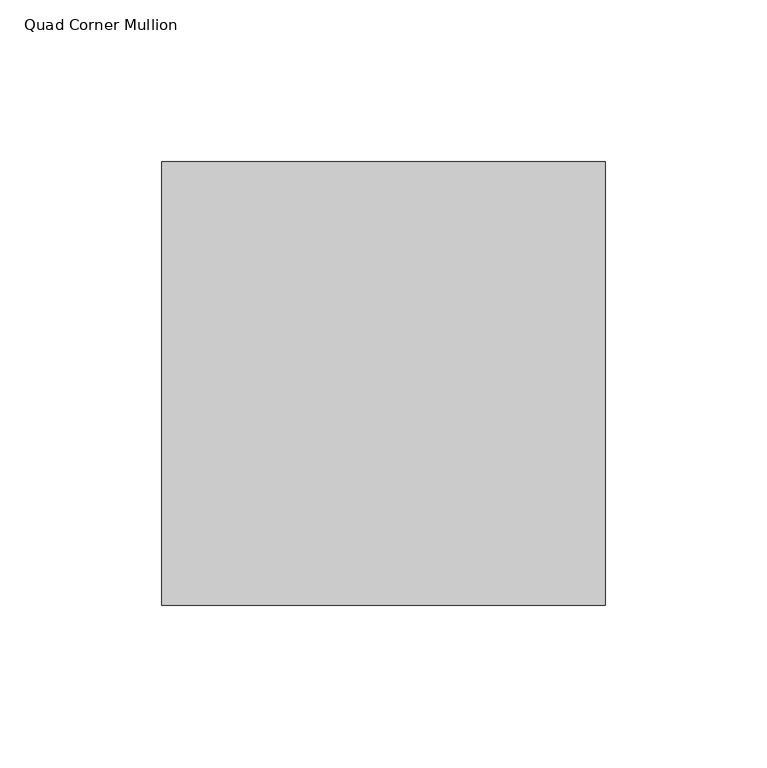
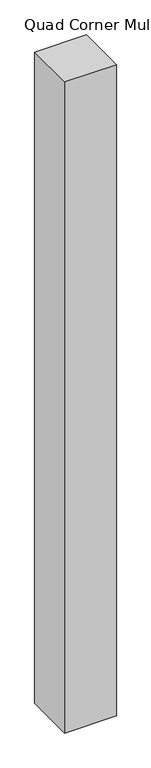
"""IFC4 building model written with IfcOpenShell, lengths in millimetres: member geometry, Quad Corner Mullion."""

from ifc_helpers import new_model, si_unit, frame, origin, place, context, project, spatial, polyline, outline, extrude, source, transform, mapped, element, save


def quad_corner_mullion_fe3ebf36(model_context):
    return source(origin(), model_context, "Body", "SweptSolid", [
        extrude(outline(polyline([(84.1871094, -53.2308594), (-53.2308594, -53.2308594), (-53.2308594, 84.1871094), (84.1871094, 84.1871094), (84.1871094, -53.2308594)])), frame((0.0, 0.0, -1828.8), z_axis=(0.0, 0.0, 1.0), x_axis=(1.0, 0.0, 0.0)), (0.0, 0.0, 1.0), 1828.8),
    ])


if __name__ == "__main__":
    model = new_model("IFC4")
    model_context = context("Model", 3, world=origin())
    ifc_project = project(units=[si_unit("LENGTHUNIT", "METRE", prefix="MILLI")], contexts=[model_context])
    site = spatial("IfcSite", under=ifc_project)
    building = spatial("IfcBuilding", under=site)
    placement = place(None, origin())
    quad_corner_mullion_shape = quad_corner_mullion_fe3ebf36(model_context)
    element("IfcMember", 1, ObjectType="Quad Corner Mullion", at=placement, inside=building, context=model_context, shape_type="MappedRepresentation", body=[
        mapped(quad_corner_mullion_shape, transform((0.0, 0.0, 0.0), x_axis=(1.0, 0.0, 0.0), y_axis=(0.0, 1.0, 0.0), z_axis=(0.0, 0.0, 1.0))),
    ])
    save(model, "model.ifc")
